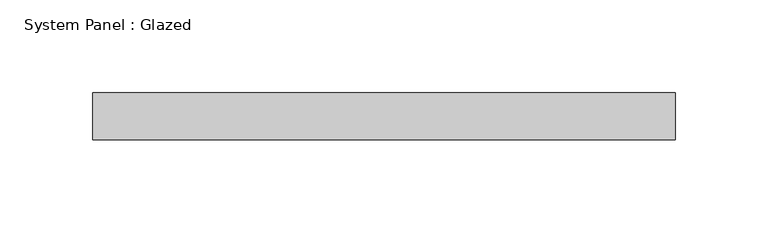
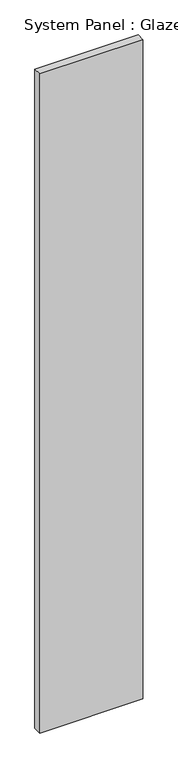
"""IFC4 building model written with IfcOpenShell, lengths in millimetres: plate geometry, System Panel : Glazed."""

from ifc_helpers import new_model, si_unit, origin, origin_with_axes, place, context, project, spatial, polyline, outline, extrude, source, transform, mapped, element, save


def system_panel_glazed_7d7cb52a(model_context):
    return source(origin(), model_context, "Body", "SweptSolid", [
        extrude(outline(polyline([(157.375, 19.05), (-157.375, 19.05), (-157.375, 44.45), (157.375, 44.45), (157.375, 19.05)])), origin_with_axes(), (0.0, 0.0, 1.0), 2124.75),
    ])


if __name__ == "__main__":
    model = new_model("IFC4")
    model_context = context("Model", 3, world=origin())
    ifc_project = project(units=[si_unit("LENGTHUNIT", "METRE", prefix="MILLI")], contexts=[model_context])
    site = spatial("IfcSite", under=ifc_project)
    building = spatial("IfcBuilding", under=site)
    placement = place(None, origin())
    system_panel_glazed_shape = system_panel_glazed_7d7cb52a(model_context)
    element("IfcPlate", 1, ObjectType="System Panel : Glazed", at=placement, inside=building, context=model_context, shape_type="MappedRepresentation", body=[
        mapped(system_panel_glazed_shape, transform((0.0, 0.0, 0.0), x_axis=(1.0, 0.0, 0.0), y_axis=(0.0, 1.0, 0.0), z_axis=(0.0, 0.0, 1.0))),
    ])
    save(model, "model.ifc")
